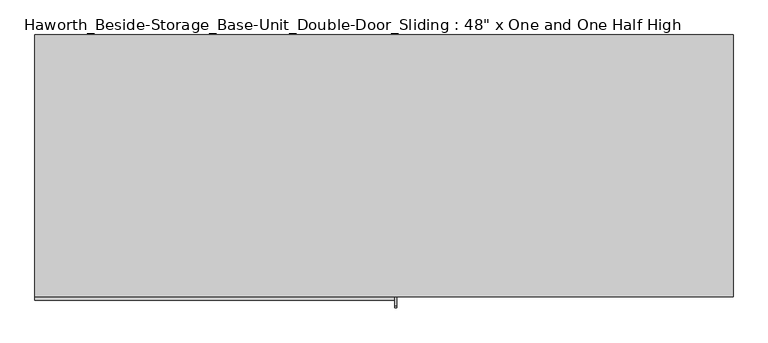
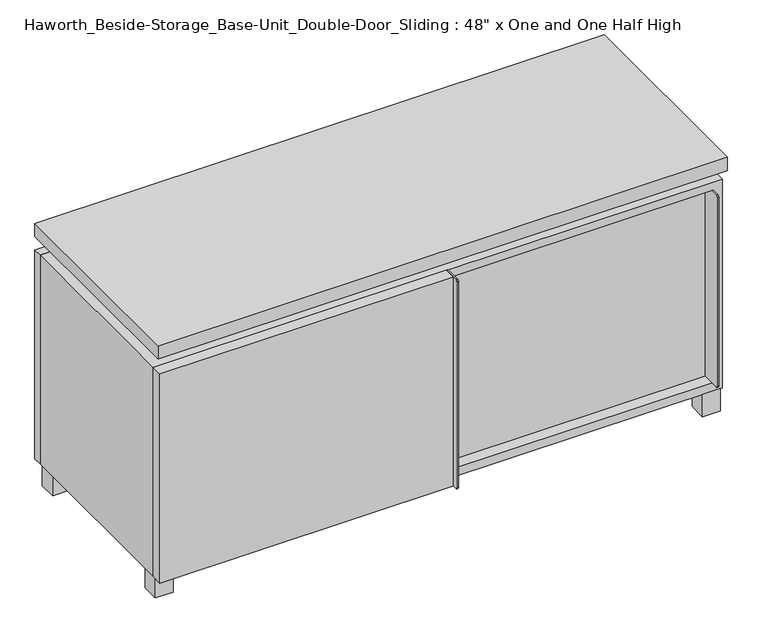
"""IFC4 building model written with IfcOpenShell, lengths in millimetres: furniture geometry."""

from ifc_helpers import new_model, si_unit, point, frame, frame_2d, origin, origin_with_axes, place, context, project, spatial, polyline, circle_curve, trimmed, segment, composite_curve, outline, extrude, faceted_brep, source, transform, mapped, element, save


def furniture_b918c6a7(model_context):
    return source(origin(), model_context, "Body", "SolidModel", [
        extrude(outline(polyline([(9.5319453, 241.3), (590.5569453, 241.3), (590.5569453, -92.075), (9.5319453, -92.075), (9.5319453, 241.3)])), frame((0.0, 0.0, 277.8125), z_axis=(0.0, 0.0, 1.0), x_axis=(1.0, 0.0, 0.0)), (0.0, 0.0, 1.0), 19.05),
        extrude(outline(polyline([(-9.5041641, 241.3), (-9.5041641, -92.075), (-590.5291641, -92.075), (-590.5291641, 241.3), (-9.5041641, 241.3)])), frame((0.0, 0.0, 277.8125), z_axis=(0.0, 0.0, 1.0), x_axis=(1.0, 0.0, 0.0)), (0.0, 0.0, 1.0), 19.05),
        extrude(outline(composite_curve([segment(polyline([(-95.25, 504.825), (-95.25, 69.85), (-161.925, 69.85)]), True, "CONTINUOUS"), segment(trimmed(circle_curve(frame_2d((-161.925, 73.025)), 3.175), [point((-161.925, 69.85))], [point((-165.1, 73.025))], False, "CARTESIAN"), True, "CONTINUOUS"), segment(polyline([(-165.1, 73.025), (-165.1, 501.65)]), True, "CONTINUOUS"), segment(trimmed(circle_curve(frame_2d((-161.925, 501.65)), 3.175), [point((-165.1, 501.65))], [point((-161.925, 504.825))], False, "CARTESIAN"), True, "CONTINUOUS"), segment(polyline([(-161.925, 504.825), (-95.25, 504.825)]), True, "CONTINUOUS")], self_intersect=False)), frame((587.3819453, 0.0, 0.0), z_axis=(1.0, 0.0, 0.0), x_axis=(0.0, 1.0, 0.0)), (0.0, 0.0, 1.0), 3.175),
        extrude(outline(polyline([(15.8819453, -95.25), (587.3819453, -95.25), (587.3819453, -120.65), (15.8819453, -120.65), (15.8819453, -95.25)])), frame((0.0, 0.0, 69.85), z_axis=(0.0, 0.0, 1.0), x_axis=(1.0, 0.0, 0.0)), (0.0, 0.0, 1.0), 434.975),
        extrude(outline(polyline([(609.6138906, 292.1), (609.6138906, -165.1), (-609.5861094, -165.1), (-609.5861094, 292.1), (609.6138906, 292.1)])), frame((0.0, 0.0, 554.0375), z_axis=(0.0, 0.0, 1.0), x_axis=(1.0, 0.0, 0.0)), (0.0, 0.0, 1.0), 30.1625),
        extrude(outline(composite_curve([segment(polyline([(-146.05, 523.875), (-146.05, 50.8), (-180.975, 50.8)]), True, "CONTINUOUS"), segment(trimmed(circle_curve(frame_2d((-180.975, 53.975)), 3.175), [point((-180.975, 50.8))], [point((-184.15, 53.975))], False, "CARTESIAN"), True, "CONTINUOUS"), segment(polyline([(-184.15, 53.975), (-184.15, 520.7)]), True, "CONTINUOUS"), segment(trimmed(circle_curve(frame_2d((-180.975, 520.7)), 3.175), [point((-184.15, 520.7))], [point((-180.975, 523.875))], False, "CARTESIAN"), True, "CONTINUOUS"), segment(polyline([(-180.975, 523.875), (-146.05, 523.875)]), True, "CONTINUOUS")], self_intersect=False)), frame((19.0638906, 0.0, 0.0), z_axis=(1.0, 0.0, 0.0), x_axis=(0.0, 1.0, 0.0)), (0.0, 0.0, 1.0), 3.175),
        extrude(outline(polyline([(-609.5861094, -146.05), (19.0638906, -146.05), (19.0638906, -171.45), (-609.5861094, -171.45), (-609.5861094, -146.05)])), frame((0.0, 0.0, 50.8), z_axis=(0.0, 0.0, 1.0), x_axis=(1.0, 0.0, 0.0)), (0.0, 0.0, 1.0), 473.075),
        extrude(outline(polyline([(566.7513906, -107.95), (604.8513906, -107.95), (604.8513906, -146.05), (566.7513906, -146.05), (566.7513906, -107.95)])), origin_with_axes(), (0.0, 0.0, 1.0), 50.8),
        extrude(outline(polyline([(566.7513906, 234.95), (566.7513906, 273.05), (604.8513906, 273.05), (604.8513906, 234.95), (566.7513906, 234.95)])), origin_with_axes(), (0.0, 0.0, 1.0), 50.8),
        extrude(outline(polyline([(-566.7236094, -107.95), (-566.7236094, -146.05), (-604.8236094, -146.05), (-604.8236094, -107.95), (-566.7236094, -107.95)])), origin_with_axes(), (0.0, 0.0, 1.0), 50.8),
        extrude(outline(polyline([(-566.7236094, 234.95), (-604.8236094, 234.95), (-604.8236094, 273.05), (-566.7236094, 273.05), (-566.7236094, 234.95)])), origin_with_axes(), (0.0, 0.0, 1.0), 50.8),
        faceted_brep([(7.9513906, -120.65, 554.0375), (7.9513906, -120.65, 523.875), (7.9513906, 53.975, 523.875), (7.9513906, 53.975, 554.0375), (7.9513906, 247.65, 523.875), (7.9513906, 247.65, 554.0375), (7.9513906, 73.025, 554.0375), (7.9513906, 73.025, 523.875), (-7.9236094, 247.65, 554.0375), (-7.9236094, 247.65, 523.875), (-7.9236094, 73.025, 523.875), (-7.9236094, 73.025, 554.0375), (-7.9236094, -120.65, 523.875), (-7.9236094, -120.65, 554.0375), (-7.9236094, 53.975, 554.0375), (-7.9236094, 53.975, 523.875), (-568.2833281, 73.025, 554.0375), (-568.3041641, 247.65, 554.0375), (-584.1791641, 247.65, 554.0375), (-584.1791641, -120.65, 554.0375), (-568.3041641, -120.65, 554.0375), (-568.3041641, 53.975, 554.0375), (568.3111094, 53.975, 554.0375), (568.3111094, -120.65, 554.0375), (584.1861094, -120.65, 554.0375), (584.1861094, 247.65, 554.0375), (568.3111094, 247.65, 554.0375), (568.3111094, 73.025, 554.0375), (-568.2833281, 53.975, 523.875), (-568.3041641, -120.65, 523.875), (-584.1791641, -120.65, 523.875), (-584.1791641, 247.65, 523.875), (-568.3041641, 247.65, 523.875), (-568.3041641, 73.025, 523.875), (568.3111094, 73.025, 523.875), (568.3111094, 247.65, 523.875), (584.1861094, 247.65, 523.875), (584.1861094, -120.65, 523.875), (568.3111094, -120.65, 523.875), (568.3111094, 53.975, 523.875)], [[[0, 1, 2, 3]], [[4, 5, 6, 7]], [[8, 9, 10, 11]], [[12, 13, 14, 15]], [[5, 8, 11, 16, 17, 18, 19, 20, 21, 14, 13, 0, 3, 22, 23, 24, 25, 26, 27, 6]], [[1, 12, 15, 28, 29, 30, 31, 32, 33, 10, 9, 4, 7, 34, 35, 36, 37, 38, 39, 2]], [[5, 4, 9, 8]], [[1, 0, 13, 12]], [[6, 27, 34, 7]], [[22, 3, 2, 39]], [[20, 29, 28, 21]], [[32, 17, 16, 33]], [[18, 31, 30, 19]], [[29, 20, 19, 30]], [[17, 32, 31, 18]], [[26, 35, 34, 27]], [[38, 23, 22, 39]], [[25, 24, 37, 36]], [[23, 38, 37, 24]], [[35, 26, 25, 36]], [[16, 11, 10, 33]], [[14, 21, 28, 15]]]),
        extrude(outline(polyline([(9.5388906, 241.3), (9.5388906, -95.25), (-9.5111094, -95.25), (-9.5111094, 241.3), (9.5388906, 241.3)])), frame((0.0, 0.0, 69.85), z_axis=(0.0, 0.0, 1.0), x_axis=(1.0, 0.0, 0.0)), (0.0, 0.0, 1.0), 434.975),
        extrude(outline(polyline([(15.8888906, -88.9), (15.8888906, -146.05), (-9.5111094, -146.05), (-9.5111094, -120.65), (3.1888906, -120.65), (3.1888906, -88.9), (15.8888906, -88.9)])), frame((0.0, 0.0, 69.85), z_axis=(0.0, 0.0, 1.0), x_axis=(1.0, 0.0, 0.0)), (0.0, 0.0, 1.0), 434.975),
        extrude(outline(polyline([(609.6138906, 273.05), (-609.5861094, 273.05), (-609.5861094, 292.1), (609.6138906, 292.1), (609.6138906, 273.05)])), frame((0.0, 0.0, 50.8), z_axis=(0.0, 0.0, 1.0), x_axis=(1.0, 0.0, 0.0)), (0.0, 0.0, 1.0), 473.075),
        extrude(outline(polyline([(50.8, -609.5861094), (50.8, 609.6), (523.875, 609.6), (523.875, -609.5861094), (50.8, -609.5861094)]), holes=[polyline([(69.85, -590.5361094), (504.825, -590.5361094), (504.825, 590.5361094), (69.85, 590.5361094), (69.85, -590.5361094)])]), frame((0.0, -146.05, 0.0), z_axis=(0.0, 1.0, 0.0), x_axis=(0.0, 0.0, 1.0)), (0.0, 0.0, 1.0), 419.1),
        extrude(outline(polyline([(-590.5291641, 241.3), (-590.5291641, 247.65), (590.5569453, 247.65), (590.5569453, 241.3), (-590.5291641, 241.3)])), frame((0.0, 0.0, 69.85), z_axis=(0.0, 0.0, 1.0), x_axis=(1.0, 0.0, 0.0)), (0.0, 0.0, 1.0), 434.975),
    ])


if __name__ == "__main__":
    model = new_model("IFC4")
    model_context = context("Model", 3, world=origin())
    ifc_project = project(units=[si_unit("LENGTHUNIT", "METRE", prefix="MILLI")], contexts=[model_context])
    site = spatial("IfcSite", under=ifc_project)
    building = spatial("IfcBuilding", under=site)
    placement = place(None, origin())
    furniture_shape = furniture_b918c6a7(model_context)
    element("IfcFurniture", 1, ObjectType="Haworth_Beside-Storage_Base-Unit_Double-Door_Sliding : 48\" x One and One Half High", at=placement, inside=building, context=model_context, shape_type="MappedRepresentation", body=[
        mapped(furniture_shape, transform((0.0, 0.0, 0.0), x_axis=(1.0, 0.0, 0.0), y_axis=(0.0, 1.0, 0.0), z_axis=(0.0, 0.0, 1.0))),
    ])
    save(model, "model.ifc")
